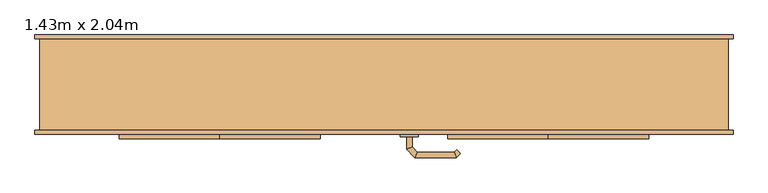
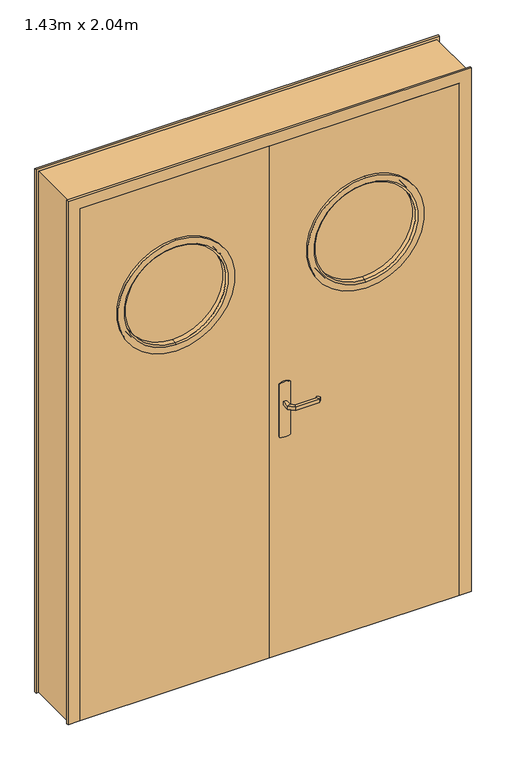
"""IFC4 building model written with IfcOpenShell, lengths in millimetres: door geometry, 1.43m x 2.04m."""

import ifcopenshell
import ifcopenshell.guid

model = None  # the IFC model being written
_history = None  # IfcOwnerHistory: only IFC2X3 demands one
_inside = {}  # id of a spatial element -> (the spatial element, [elements in it])
_under = {}  # id of a project, library or spatial element -> (it, [spatial elements below it])
_declared = {}  # id of a project -> (the project, [libraries it declares])
_typed = {}  # id of a type object -> (the type object, [elements of that type])
_made_of = {}  # id of a material, layer set ... -> (it, [elements and type objects made of it])


def new_model(schema):
    """Start an empty IFC model of exactly this schema.

    Asked for "IFC4X3", IfcOpenShell would pick the latest addendum, in which some entities
    have other attributes; the version numbers below select the first issue.
    IFC2X3 requires an IfcOwnerHistory on every rooted entity: one is made here for all.
    """
    global model, _history
    if schema == "IFC4X3":
        model = ifcopenshell.file(schema_version=(4, 3, 0, 0))
    else:
        model = ifcopenshell.file(schema=schema)
    _inside.clear()
    _under.clear()
    _declared.clear()
    _typed.clear()
    _made_of.clear()
    _history = None
    if model.schema == "IFC2X3":
        org = make("IfcOrganization", Name="unknown")
        user = make(
            "IfcPersonAndOrganization",
            ThePerson=make("IfcPerson", FamilyName="unknown"),
            TheOrganization=org,
        )
        app = make(
            "IfcApplication",
            ApplicationDeveloper=org,
            Version="unknown",
            ApplicationFullName="unknown",
            ApplicationIdentifier="unknown",
        )
        _history = make(
            "IfcOwnerHistory",
            OwningUser=user,
            OwningApplication=app,
            ChangeAction="ADDED",
            CreationDate=0,
        )
    return model


def make(cls, **values):
    """One entity of the class cls with the attributes given. An attribute that is None is left unset."""
    return model.create_entity(
        cls, **{name: value for name, value in values.items() if value is not None}
    )


def rooted(cls, **values):
    """An entity with a GlobalId (a new one), such as an element, a storey or a relation."""
    return make(cls, GlobalId=ifcopenshell.guid.new(), OwnerHistory=_history, **values)


def si_unit(unit_type, name, prefix=None):
    """IfcSIUnit, for example si_unit("LENGTHUNIT", "METRE", prefix="MILLI")."""
    return make("IfcSIUnit", UnitType=unit_type, Prefix=prefix, Name=name)


def assignment(units):
    """IfcUnitAssignment: the units of a project."""
    return None if units is None else make("IfcUnitAssignment", Units=units)


def point(xyz):
    """IfcCartesianPoint."""
    return None if xyz is None else make("IfcCartesianPoint", Coordinates=xyz)


def direction(xyz):
    """IfcDirection."""
    return None if xyz is None else make("IfcDirection", DirectionRatios=xyz)


def frame(location, z_axis=None, x_axis=None):
    """IfcAxis2Placement3D, a coordinate frame: its origin and axes. An axis left out is left unset."""
    return make(
        "IfcAxis2Placement3D",
        Location=point(location),
        Axis=direction(z_axis),
        RefDirection=direction(x_axis),
    )


def frame_2d(location, x_axis=None):
    """IfcAxis2Placement2D, a coordinate frame in the plane: its origin and x axis."""
    return make(
        "IfcAxis2Placement2D", Location=point(location), RefDirection=direction(x_axis)
    )


def origin():
    """The frame at (0, 0, 0) with its axes left unset."""
    return frame((0.0, 0.0, 0.0))


def place(relative_to, where):
    """IfcLocalPlacement: puts the frame where relative to a parent placement (None: the world)."""
    return make(
        "IfcLocalPlacement", PlacementRelTo=relative_to, RelativePlacement=where
    )


def context(
    kind, dimensions, precision=None, world=None, true_north=None, identifier=None
):
    """IfcGeometricRepresentationContext, for example the 3D "Model" context."""
    return make(
        "IfcGeometricRepresentationContext",
        ContextIdentifier=identifier,
        ContextType=kind,
        CoordinateSpaceDimension=dimensions,
        Precision=precision,
        WorldCoordinateSystem=world,
        TrueNorth=true_north,
    )


def project(units=None, contexts=None):
    """IfcProject with its units and contexts."""
    return rooted(
        "IfcProject",
        Name="project",
        RepresentationContexts=contexts,
        UnitsInContext=assignment(units),
    )


def spatial(cls, under=None, at=None, **own):
    """A site, building, storey or space (cls), placed at a placement, below another one or the project."""
    s = rooted(cls, ObjectPlacement=at, **own)
    if under is not None:
        _under.setdefault(under.id(), (under, []))[1].append(s)
    return s


def polyline(points):
    """IfcPolyline through the points."""
    return make("IfcPolyline", Points=[point(p) for p in points])


def circle_curve(where, radius):
    """IfcCircle in the frame where."""
    return make("IfcCircle", Position=where, Radius=radius)


def ellipse_curve(where, semi_axis1, semi_axis2):
    """IfcEllipse in the frame where."""
    return make(
        "IfcEllipse", Position=where, SemiAxis1=semi_axis1, SemiAxis2=semi_axis2
    )


def trimmed(basis, trim1, trim2, sense, master):
    """IfcTrimmedCurve: the piece of a basis curve between two trims."""
    return make(
        "IfcTrimmedCurve",
        BasisCurve=basis,
        Trim1=trim1,
        Trim2=trim2,
        SenseAgreement=sense,
        MasterRepresentation=master,
    )


def segment(curve, same_sense, transition):
    """IfcCompositeCurveSegment."""
    return make(
        "IfcCompositeCurveSegment",
        Transition=transition,
        SameSense=same_sense,
        ParentCurve=curve,
    )


def composite_curve(segments, self_intersect=None):
    """IfcCompositeCurve: segments joined end to end."""
    return make("IfcCompositeCurve", Segments=segments, SelfIntersect=self_intersect)


def outline(outer, holes=None, kind="AREA"):
    """IfcArbitraryClosedProfileDef: a profile drawn as a closed curve; with holes, ...WithVoids."""
    if holes is None:
        return make("IfcArbitraryClosedProfileDef", ProfileType=kind, OuterCurve=outer)
    return make(
        "IfcArbitraryProfileDefWithVoids",
        ProfileType=kind,
        OuterCurve=outer,
        InnerCurves=holes,
    )


def extrude(swept, where, along, depth):
    """IfcExtrudedAreaSolid: the profile swept, set in the frame where, extruded along a direction by depth."""
    return make(
        "IfcExtrudedAreaSolid",
        SweptArea=swept,
        Position=where,
        ExtrudedDirection=direction(along),
        Depth=depth,
    )


def faces_of(points, faces, orient=None, outer=None):
    """IfcFace entities. A face is a list of loops; a loop is a list of indices into points, from 0.

    orient and outer hold one flag for each loop. By default every Orientation is true, the
    first loop of a face is its IfcFaceOuterBound and the others are IfcFaceBound.
    """
    made = []
    for i, loops in enumerate(faces):
        bounds = []
        for j, loop in enumerate(loops):
            is_outer = j == 0 if outer is None else outer[i][j]
            bounds.append(
                make(
                    "IfcFaceOuterBound" if is_outer else "IfcFaceBound",
                    Bound=make("IfcPolyLoop", Polygon=[points[k] for k in loop]),
                    Orientation=True if orient is None else orient[i][j],
                )
            )
        made.append(make("IfcFace", Bounds=bounds))
    return made


def faceted_brep(points, faces, orient=None, outer=None, voids=None):
    """IfcFacetedBrep: a solid bounded by flat faces; with voids (closed shells), ...WithVoids."""
    shared = [point(p) for p in points]
    hull = make("IfcClosedShell", CfsFaces=faces_of(shared, faces, orient, outer))
    if voids is None:
        return make("IfcFacetedBrep", Outer=hull)
    return make(
        "IfcFacetedBrepWithVoids",
        Outer=hull,
        Voids=[
            make(cls, CfsFaces=faces_of(shared, fs, o, b)) for cls, fs, o, b in voids
        ],
    )


def shape(context_of_items, identifier, shape_type, items):
    """IfcShapeRepresentation: the items that make up one representation, for example the "Body"."""
    return make(
        "IfcShapeRepresentation",
        ContextOfItems=context_of_items,
        RepresentationIdentifier=identifier,
        RepresentationType=shape_type,
        Items=items,
    )


def source(mapping_origin, context_of_items, identifier, shape_type, items):
    """IfcRepresentationMap: a shape defined once, which mapped items show again and again."""
    return make(
        "IfcRepresentationMap",
        MappingOrigin=mapping_origin,
        MappedRepresentation=shape(context_of_items, identifier, shape_type, items),
    )


def transform(
    local_origin,
    x_axis=None,
    y_axis=None,
    z_axis=None,
    scale=None,
    scale2=None,
    scale3=None,
    uniform=True,
):
    """IfcCartesianTransformationOperator3D, or its non-uniform kind. x_axis, y_axis, z_axis: its Axis1, 2, 3."""
    if uniform:
        return make(
            "IfcCartesianTransformationOperator3D",
            Axis1=direction(x_axis),
            Axis2=direction(y_axis),
            LocalOrigin=point(local_origin),
            Scale=scale,
            Axis3=direction(z_axis),
        )
    return make(
        "IfcCartesianTransformationOperator3DnonUniform",
        Axis1=direction(x_axis),
        Axis2=direction(y_axis),
        LocalOrigin=point(local_origin),
        Scale=scale,
        Axis3=direction(z_axis),
        Scale2=scale2,
        Scale3=scale3,
    )


def mapped(mapping_source, mapping_target):
    """IfcMappedItem: shows the shape of a source again, moved by a transform."""
    return make(
        "IfcMappedItem", MappingSource=mapping_source, MappingTarget=mapping_target
    )


def made_of(thing, what):
    """Note that an element or type object is made of a material, layer set ...; save() writes the relation."""
    if what is not None:
        _made_of.setdefault(what.id(), (what, []))[1].append(thing)
    return thing


def element(
    cls,
    number,
    at=None,
    inside=None,
    cuts=None,
    type_object=None,
    material=None,
    context=None,
    identifier="Body",
    shape_type=None,
    held_by="IfcProductDefinitionShape",
    body=None,
    shapes=None,
    **own,
):
    """One element of the class cls, such as IfcWall. Its Tag is "e" and its number.

    at: its placement. inside: the storey or other place that contains it. cuts: it is an
    opening in that element (IfcRelVoidsElement). A single representation is given by context,
    identifier, shape_type and body (its items); several are given by shapes. held_by: the class
    of the entity that holds the representations. save() writes the other relations.
    """
    e = rooted(cls, Tag="e%d" % number, ObjectPlacement=at, **own)
    if body is not None:
        shapes = [shape(context, identifier, shape_type, body)]
    if shapes is not None:
        e.Representation = make(held_by, Representations=shapes)
    if inside is not None:
        _inside.setdefault(inside.id(), (inside, []))[1].append(e)
    if cuts is not None:
        rooted(
            "IfcRelVoidsElement", RelatingBuildingElement=cuts, RelatedOpeningElement=e
        )
    if type_object is not None:
        _typed.setdefault(type_object.id(), (type_object, []))[1].append(e)
    return made_of(e, material)


def aggregate(whole, parts):
    """IfcRelAggregates: a whole, such as a stair, and the parts it consists of."""
    return rooted("IfcRelAggregates", RelatingObject=whole, RelatedObjects=parts)


def save(model, path):
    """Write the relations noted so far, then the file.

    IfcRelAggregates (storeys below a building ...), IfcRelContainedInSpatialStructure (elements
    in a storey), IfcRelDefinesByType, IfcRelAssociatesMaterial and IfcRelDeclares: one each for
    every whole, place, type object, material and project.
    """
    for whole, parts in _under.values():
        aggregate(whole, parts)
    for where, things in _inside.values():
        rooted(
            "IfcRelContainedInSpatialStructure",
            RelatedElements=things,
            RelatingStructure=where,
        )
    for kind, things in _typed.values():
        rooted("IfcRelDefinesByType", RelatedObjects=things, RelatingType=kind)
    for what, things in _made_of.values():
        rooted("IfcRelAssociatesMaterial", RelatedObjects=things, RelatingMaterial=what)
    for by, libraries in _declared.values():
        rooted("IfcRelDeclares", RelatingContext=by, RelatedDefinitions=libraries)
    model.write(path)


def plane_surface(at):
    """IfcPlane: the flat surface through the origin of the frame at, square to its z axis."""
    return make("IfcPlane", Position=at)


def cylinder_surface(at, radius):
    """IfcCylindricalSurface: all points at the distance radius from the z axis of the frame at."""
    return make("IfcCylindricalSurface", Position=at, Radius=radius)


def revolved_surface(curve, axis_point, axis_direction):
    """IfcSurfaceOfRevolution: the curve turned about the line through axis_point along axis_direction."""
    return make(
        "IfcSurfaceOfRevolution",
        SweptCurve=make("IfcArbitraryOpenProfileDef", ProfileType="CURVE", Curve=curve),
        AxisPosition=make("IfcAxis1Placement", Location=point(axis_point), Axis=direction(axis_direction)),
    )


def advanced_brep(points, edges, surfaces, faces):
    """IfcAdvancedBrep: a solid bounded by faces that lie on surfaces and meet in shared edges.

    An edge is (start, end): straight between two places in points (the first is 0);
    or (start, end, curve); or (start, end, curve, False) where it runs against its curve.
    A face is (place in surfaces, loops), or (place, loops, False) where it looks against
    its surface's normal. A loop lists edges by number (the first is 1), with a minus sign
    where the edge is run from its end to its start. The first loop is the outer one.
    """
    corners = [point(p) for p in points]
    vertices = [make("IfcVertexPoint", VertexGeometry=c) for c in corners]
    made = []
    for start, end, *more in edges:
        made.append(
            make(
                "IfcEdgeCurve",
                EdgeStart=vertices[start],
                EdgeEnd=vertices[end],
                EdgeGeometry=more[0] if more else make("IfcPolyline", Points=[corners[start], corners[end]]),
                SameSense=more[1] if len(more) > 1 else True,
            )
        )
    hull = []
    for where, loops, *sense in faces:
        bounds = []
        for j, loop in enumerate(loops):
            ring = [make("IfcOrientedEdge", EdgeElement=made[abs(k) - 1], Orientation=k > 0) for k in loop]
            bounds.append(
                make(
                    "IfcFaceOuterBound" if j == 0 else "IfcFaceBound",
                    Bound=make("IfcEdgeLoop", EdgeList=ring),
                    Orientation=True,
                )
            )
        hull.append(make("IfcAdvancedFace", Bounds=bounds, FaceSurface=surfaces[where], SameSense=sense[0] if sense else True))
    return make("IfcAdvancedBrep", Outer=make("IfcClosedShell", CfsFaces=hull))


def door_1_43m_x_2_04m_ebb79b4e(model_context):
    return source(origin(), model_context, "Body", "SolidModel", [
        advanced_brep(
        [(61.0, -63.0, 993.0), (61.0, -63.0, 1007.0), (49.0, -63.0, 1007.0), (49.0, -63.0, 993.0), (61.0, -40.5147955, 993.0), (61.0, -40.5147955, 1007.0), (49.0, -35.5442327, 1007.0), (49.0, -35.5442327, 993.0), (72.4852814, -29.0295141, 993.0), (72.4852814, -29.0295141, 1007.0), (67.5147186, -17.0295141, 1007.0), (67.5147186, -17.0295141, 993.0), (152.5605023, -29.0295141, 993.0), (152.5605023, -29.0295141, 1007.0), (157.531065, -17.0295141, 1007.0), (157.531065, -17.0295141, 993.0), (157.8742108, -34.3432226, 993.0), (166.3594922, -25.8579412, 993.0), (166.3594922, -25.8579412, 1007.0), (157.8742108, -34.3432226, 1007.0)],
        [
            (0, 1),
            (1, 2, circle_curve(frame((55.0, -63.0, 986.9542278), z_axis=(0.0, -1.0, 0.0), x_axis=(-1.0, 0.0, 0.0)), 20.9244589)),
            (2, 3),
            (3, 0, circle_curve(frame((55.0, -63.0, 1013.0457722), z_axis=(0.0, -1.0, 0.0), x_axis=(-1.0, 0.0, 0.0)), 20.9244589)),
            (0, 4),
            (4, 5),
            (5, 1),
            (5, 6, ellipse_curve(frame((55.0, -38.0295141, 986.9542278), z_axis=(-0.38268343236510893, -0.9238795325112789, 0.0), x_axis=(0.9238795325112789, -0.3826834323651087, 0.0)), 22.6484711, 20.9244589)),
            (6, 2),
            (6, 7),
            (7, 3),
            (7, 4, ellipse_curve(frame((55.0, -38.0295141, 1013.0457722), z_axis=(-0.38268343236510893, -0.9238795325112789, 0.0), x_axis=(0.9238795325112789, -0.3826834323651087, 0.0)), 22.6484711, 20.9244589)),
            (4, 8),
            (8, 9),
            (9, 5),
            (9, 10, ellipse_curve(frame((70.0, -23.0295141, 986.9542278), z_axis=(-0.9238795325112946, -0.38268343236507063, 0.0), x_axis=(0.3826834323650701, -0.9238795325112948, 0.0)), 22.6484711, 20.9244589)),
            (10, 6),
            (10, 11),
            (11, 7),
            (11, 8, ellipse_curve(frame((70.0, -23.0295141, 1013.0457722), z_axis=(-0.9238795325112946, -0.38268343236507063, 0.0), x_axis=(0.3826834323650701, -0.9238795325112948, 0.0)), 22.6484711, 20.9244589)),
            (8, 12),
            (12, 13),
            (13, 9),
            (13, 14, ellipse_curve(frame((155.0457837, -23.0295141, 986.9542278), z_axis=(-0.9238795325113071, 0.38268343236504027, 0.0), x_axis=(-0.38268343236504115, -0.9238795325113068, 0.0)), 22.6484711, 20.9244589)),
            (14, 10),
            (14, 15),
            (15, 11),
            (15, 12, ellipse_curve(frame((155.0457837, -23.0295141, 1013.0457722), z_axis=(-0.9238795325113071, 0.38268343236504027, 0.0), x_axis=(-0.38268343236504115, -0.9238795325113068, 0.0)), 22.6484711, 20.9244589)),
            (16, 17, circle_curve(frame((162.1168515, -30.1005819, 1013.0457722), z_axis=(0.7071067811866232, -0.7071067811864719, 0.0), x_axis=(0.7071067811864719, 0.7071067811866232, 0.0)), 20.9244589)),
            (17, 18),
            (18, 19, circle_curve(frame((162.1168515, -30.1005819, 986.9542278), z_axis=(0.7071067811866232, -0.7071067811864719, 0.0), x_axis=(0.7071067811864719, 0.7071067811866232, 0.0)), 20.9244589)),
            (19, 16),
            (12, 16),
            (19, 13),
            (18, 14),
            (17, 15),
        ],
        [
            plane_surface(frame((45.7804555, -63.0, 1000.0), z_axis=(0.0, -1.0, 0.0), x_axis=(0.0, 0.0, 1.0))),
            plane_surface(frame((61.0, -63.0, 993.0), z_axis=(1.0, 0.0, 0.0), x_axis=(0.0, 1.0, 0.0))),
            cylinder_surface(frame((55.0, -63.0, 986.9542278), z_axis=(0.0, -1.0, 0.0), x_axis=(-1.0, 0.0, 0.0)), 20.9244589),
            plane_surface(frame((49.0, -63.0, 1007.0), z_axis=(-1.0, 0.0, 0.0), x_axis=(0.0, 1.0, 0.0))),
            cylinder_surface(frame((55.0, -63.0, 1013.0457722), z_axis=(0.0, -1.0, 0.0), x_axis=(-1.0, 0.0, 0.0)), 20.9244589),
            plane_surface(frame((61.0, -40.5147955, 993.0), z_axis=(0.7071067811865183, -0.7071067811865769, 0.0), x_axis=(0.7071067811865769, 0.7071067811865183, 0.0))),
            cylinder_surface(frame((55.0, -38.0295141, 986.9542278), z_axis=(-0.7071067811865768, -0.7071067811865183, 0.0), x_axis=(-0.7071067811865183, 0.7071067811865768, 0.0)), 20.9244589),
            plane_surface(frame((49.0, -35.5442327, 1007.0), z_axis=(-0.7071067811865185, 0.7071067811865767, 0.0), x_axis=(0.7071067811865767, 0.7071067811865185, 0.0))),
            cylinder_surface(frame((55.0, -38.0295141, 1013.0457722), z_axis=(-0.7071067811865768, -0.7071067811865183, 0.0), x_axis=(-0.7071067811865183, 0.7071067811865768, 0.0)), 20.9244589),
            plane_surface(frame((72.4852814, -29.0295141, 993.0), z_axis=(0.0, -1.0, 0.0), x_axis=(1.0, 0.0, 0.0))),
            cylinder_surface(frame((70.0, -23.0295141, 986.9542278), z_axis=(-1.0, 0.0, 0.0), x_axis=(0.0, 1.0, 0.0)), 20.9244589),
            plane_surface(frame((67.5147186, -17.0295141, 1007.0), z_axis=(0.0, 1.0, 0.0), x_axis=(1.0, 0.0, 0.0))),
            cylinder_surface(frame((70.0, -23.0295141, 1013.0457722), z_axis=(-1.0, 0.0, 0.0), x_axis=(0.0, 1.0, 0.0)), 20.9244589),
            plane_surface(frame((162.1168515, -30.1005819, 990.7804555), z_axis=(0.7071067811866233, -0.7071067811864719, 0.0), x_axis=(0.7071067811864719, 0.7071067811866233, 0.0))),
            plane_surface(frame((152.5605023, -29.0295141, 993.0), z_axis=(-0.707106781186471, -0.7071067811866241, 0.0), x_axis=(0.7071067811866241, -0.707106781186471, 0.0))),
            cylinder_surface(frame((155.0457837, -23.0295141, 986.9542278), z_axis=(-0.7071067811866232, 0.7071067811864719, 0.0), x_axis=(0.7071067811864719, 0.7071067811866232, 0.0)), 20.9244589),
            plane_surface(frame((157.531065, -17.0295141, 1007.0), z_axis=(0.7071067811864723, 0.7071067811866228, 0.0), x_axis=(0.7071067811866228, -0.7071067811864723, 0.0))),
            cylinder_surface(frame((155.0457837, -23.0295141, 1013.0457722), z_axis=(-0.7071067811866232, 0.7071067811864719, 0.0), x_axis=(0.7071067811864719, 0.7071067811866232, 0.0)), 20.9244589),
        ],
        [
            (0, [[1, 2, 3, 4]]),
            (1, [[-1, 5, 6, 7]]),
            (2, [[-2, -7, 8, 9]]),
            (3, [[-3, -9, 10, 11]]),
            (4, [[-4, -11, 12, -5]]),
            (5, [[-6, 13, 14, 15]]),
            (6, [[-8, -15, 16, 17]]),
            (7, [[-10, -17, 18, 19]]),
            (8, [[-12, -19, 20, -13]]),
            (9, [[-14, 21, 22, 23]]),
            (10, [[-16, -23, 24, 25]]),
            (11, [[-18, -25, 26, 27]]),
            (12, [[-20, -27, 28, -21]]),
            (13, [[29, 30, 31, 32]]),
            (14, [[-22, 33, -32, 34]]),
            (15, [[-24, -34, -31, 35]]),
            (16, [[-26, -35, -30, 36]]),
            (17, [[-28, -36, -29, -33]]),
        ],
    ),
        advanced_brep(
        [(49.0, -113.0, 1007.0), (61.0, -113.0, 1007.0), (61.0, -113.0, 993.0), (49.0, -113.0, 993.0), (49.0, -140.6509507, 1007.0), (61.0, -135.680388, 1007.0), (61.0, -135.680388, 993.0), (49.0, -140.6509507, 993.0), (67.37721, -159.0281607, 1007.0), (72.3477727, -147.0281607, 1007.0), (72.3477727, -147.0281607, 993.0), (67.37721, -159.0281607, 993.0), (157.503922, -159.0281607, 1007.0), (152.5333592, -147.0281607, 1007.0), (152.5333592, -147.0281607, 993.0), (157.503922, -159.0281607, 993.0), (166.3323491, -150.1997336, 1007.0), (166.3323491, -150.1997336, 993.0), (157.8470677, -141.7144522, 993.0), (157.8470677, -141.7144522, 1007.0)],
        [
            (0, 1, circle_curve(frame((55.0, -113.0, 986.9542278), z_axis=(0.0, 1.0, 0.0), x_axis=(1.0, 0.0, 0.0)), 20.9244589)),
            (1, 2),
            (2, 3, circle_curve(frame((55.0, -113.0, 1013.0457722), z_axis=(0.0, 1.0, 0.0), x_axis=(1.0, 0.0, 0.0)), 20.9244589)),
            (3, 0),
            (0, 4),
            (4, 5, ellipse_curve(frame((55.0, -138.1656693, 986.9542278), z_axis=(-0.3826834323651093, 0.9238795325112789, 0.0), x_axis=(0.9238795325112791, 0.38268343236510843, 0.0)), 22.6484711, 20.9244589)),
            (5, 1),
            (5, 6),
            (6, 2),
            (6, 7, ellipse_curve(frame((55.0, -138.1656693, 1013.0457722), z_axis=(-0.3826834323651093, 0.9238795325112789, 0.0), x_axis=(0.9238795325112791, 0.38268343236510843, 0.0)), 22.6484711, 20.9244589)),
            (7, 3),
            (7, 4),
            (4, 8),
            (8, 9, ellipse_curve(frame((69.8624914, -153.0281607, 986.9542278), z_axis=(-0.9238795325112947, 0.38268343236507024, 0.0), x_axis=(0.3826834323650698, 0.9238795325112951, 0.0)), 22.6484711, 20.9244589)),
            (9, 5),
            (9, 10),
            (10, 6),
            (10, 11, ellipse_curve(frame((69.8624914, -153.0281607, 1013.0457722), z_axis=(-0.9238795325112947, 0.38268343236507024, 0.0), x_axis=(0.3826834323650698, 0.9238795325112951, 0.0)), 22.6484711, 20.9244589)),
            (11, 7),
            (11, 8),
            (8, 12),
            (12, 13, ellipse_curve(frame((155.0186406, -153.0281607, 986.9542278), z_axis=(-0.9238795325112743, -0.3826834323651198, 0.0), x_axis=(-0.38268343236511987, 0.9238795325112744, 0.0)), 22.6484711, 20.9244589)),
            (13, 9),
            (13, 14),
            (14, 10),
            (14, 15, ellipse_curve(frame((155.0186406, -153.0281607, 1013.0457722), z_axis=(-0.9238795325112743, -0.3826834323651198, 0.0), x_axis=(-0.38268343236511987, 0.9238795325112744, 0.0)), 22.6484711, 20.9244589)),
            (15, 11),
            (15, 12),
            (16, 17),
            (17, 18, circle_curve(frame((162.0897084, -145.9570929, 1013.0457722), z_axis=(0.7071067811865017, 0.7071067811865933, 0.0), x_axis=(-0.7071067811865933, 0.7071067811865017, 0.0)), 20.9244589)),
            (18, 19),
            (19, 16, circle_curve(frame((162.0897084, -145.9570929, 986.9542278), z_axis=(0.7071067811865017, 0.7071067811865933, 0.0), x_axis=(-0.7071067811865933, 0.7071067811865017, 0.0)), 20.9244589)),
            (12, 16),
            (19, 13),
            (18, 14),
            (17, 15),
        ],
        [
            plane_surface(frame((45.7804555, -113.0, 1000.0), z_axis=(0.0, 1.0, 0.0), x_axis=(0.0, 0.0, -1.0))),
            cylinder_surface(frame((55.0, -113.0, 986.9542278), z_axis=(0.0, 1.0, 0.0), x_axis=(1.0, 0.0, 0.0)), 20.9244589),
            plane_surface(frame((61.0, -113.0, 1007.0), z_axis=(1.0, 0.0, 0.0), x_axis=(0.0, -1.0, 0.0))),
            cylinder_surface(frame((55.0, -113.0, 1013.0457722), z_axis=(0.0, 1.0, 0.0), x_axis=(1.0, 0.0, 0.0)), 20.9244589),
            plane_surface(frame((49.0, -113.0, 993.0), z_axis=(-1.0, 0.0, 0.0), x_axis=(0.0, -1.0, 0.0))),
            cylinder_surface(frame((55.0, -138.1656693, 986.9542278), z_axis=(-0.7071067811865772, 0.7071067811865177, 0.0), x_axis=(0.7071067811865177, 0.7071067811865772, 0.0)), 20.9244589),
            plane_surface(frame((61.0, -135.680388, 1007.0), z_axis=(0.7071067811865183, 0.7071067811865768, 0.0), x_axis=(0.7071067811865768, -0.7071067811865183, 0.0))),
            cylinder_surface(frame((55.0, -138.1656693, 1013.0457722), z_axis=(-0.7071067811865772, 0.7071067811865177, 0.0), x_axis=(0.7071067811865177, 0.7071067811865772, 0.0)), 20.9244589),
            plane_surface(frame((49.0, -140.6509507, 993.0), z_axis=(-0.707106781186518, -0.707106781186577, 0.0), x_axis=(0.707106781186577, -0.707106781186518, 0.0))),
            cylinder_surface(frame((69.8624914, -153.0281607, 986.9542278), z_axis=(-1.0, 0.0, 0.0), x_axis=(0.0, 1.0, 0.0)), 20.9244589),
            plane_surface(frame((72.3477727, -147.0281607, 1007.0), z_axis=(0.0, 1.0, 0.0), x_axis=(1.0, 0.0, 0.0))),
            cylinder_surface(frame((69.8624914, -153.0281607, 1013.0457722), z_axis=(-1.0, 0.0, 0.0), x_axis=(0.0, 1.0, 0.0)), 20.9244589),
            plane_surface(frame((67.37721, -159.0281607, 993.0), z_axis=(0.0, -1.0, 0.0), x_axis=(1.0, 0.0, 0.0))),
            plane_surface(frame((162.0897084, -145.9570929, 1009.2195445), z_axis=(0.7071067811865019, 0.7071067811865932, 0.0), x_axis=(0.7071067811865932, -0.7071067811865019, 0.0))),
            cylinder_surface(frame((155.0186406, -153.0281607, 986.9542278), z_axis=(-0.7071067811865017, -0.7071067811865933, 0.0), x_axis=(-0.7071067811865933, 0.7071067811865017, 0.0)), 20.9244589),
            plane_surface(frame((152.5333592, -147.0281607, 1007.0), z_axis=(-0.7071067811865936, 0.7071067811865014, 0.0), x_axis=(0.7071067811865014, 0.7071067811865936, 0.0))),
            cylinder_surface(frame((155.0186406, -153.0281607, 1013.0457722), z_axis=(-0.7071067811865017, -0.7071067811865933, 0.0), x_axis=(-0.7071067811865933, 0.7071067811865017, 0.0)), 20.9244589),
            plane_surface(frame((157.503922, -159.0281607, 993.0), z_axis=(0.707106781186593, -0.7071067811865022, 0.0), x_axis=(0.7071067811865022, 0.707106781186593, 0.0))),
        ],
        [
            (0, [[1, 2, 3, 4]]),
            (1, [[-1, 5, 6, 7]]),
            (2, [[-2, -7, 8, 9]]),
            (3, [[-3, -9, 10, 11]]),
            (4, [[-4, -11, 12, -5]]),
            (5, [[-6, 13, 14, 15]]),
            (6, [[-8, -15, 16, 17]]),
            (7, [[-10, -17, 18, 19]]),
            (8, [[-12, -19, 20, -13]]),
            (9, [[-14, 21, 22, 23]]),
            (10, [[-16, -23, 24, 25]]),
            (11, [[-18, -25, 26, 27]]),
            (12, [[-20, -27, 28, -21]]),
            (13, [[29, 30, 31, 32]]),
            (14, [[-22, 33, -32, 34]]),
            (15, [[-24, -34, -31, 35]]),
            (16, [[-26, -35, -30, 36]]),
            (17, [[-28, -36, -29, -33]]),
        ],
    ),
        extrude(outline(composite_curve([segment(trimmed(circle_curve(frame_2d((1045.3589838, 55.0)), 40.0), [point((1080.0, 75.0))], [point((1080.0, 35.0))], False, "CARTESIAN"), True, "CONTINUOUS"), segment(polyline([(1080.0, 35.0), (870.0, 35.0)]), True, "CONTINUOUS"), segment(trimmed(circle_curve(frame_2d((904.6410162, 55.0)), 40.0), [point((870.0, 35.0))], [point((870.0, 75.0))], False, "CARTESIAN"), True, "CONTINUOUS"), segment(polyline([(870.0, 75.0), (1080.0, 75.0)]), True, "CONTINUOUS")], self_intersect=False)), frame((0.0, -68.0, 0.0), z_axis=(0.0, 1.0, 0.0), x_axis=(0.0, 0.0, 1.0)), (0.0, 0.0, 1.0), 5.0),
        extrude(outline(composite_curve([segment(trimmed(circle_curve(frame_2d((904.6410162, 55.0)), 40.0), [point((870.0, 35.0))], [point((870.0, 75.0))], False, "CARTESIAN"), True, "CONTINUOUS"), segment(polyline([(870.0, 75.0), (1080.0, 75.0)]), True, "CONTINUOUS"), segment(trimmed(circle_curve(frame_2d((1045.3589838, 55.0)), 40.0), [point((1080.0, 75.0))], [point((1080.0, 35.0))], False, "CARTESIAN"), True, "CONTINUOUS"), segment(polyline([(1080.0, 35.0), (870.0, 35.0)]), True, "CONTINUOUS")], self_intersect=False)), frame((0.0, -113.0, 0.0), z_axis=(0.0, 1.0, 0.0), x_axis=(0.0, 0.0, 1.0)), (0.0, 0.0, 1.0), 5.0),
        faceted_brep([(-750.0, -100.0, 0.0), (-750.0, 100.0, 0.0), (-760.0, 100.0, 0.0), (-760.0, 108.0, 0.0), (-700.0, 108.0, 0.0), (-700.0, -68.0, 0.0), (-715.0, -68.0, 0.0), (-715.0, -108.0, 0.0), (-760.0, -108.0, 0.0), (-760.0, -100.0, 0.0), (-750.0, -100.0, 2075.0), (-750.0, 100.0, 2075.0), (750.0, 100.0, 2075.0), (750.0, 100.0, 0.0), (760.0, 100.0, 0.0), (760.0, 100.0, 2085.0), (-760.0, 100.0, 2085.0), (-760.0, 108.0, 2085.0), (760.0, 108.0, 2085.0), (760.0, 108.0, 0.0), (700.0, 108.0, 0.0), (700.0, 108.0, 2025.0), (-700.0, 108.0, 2025.0), (-700.0, -68.0, 2025.0), (700.0, -68.0, 2025.0), (700.0, -68.0, 0.0), (715.0, -68.0, 0.0), (715.0, -68.0, 2040.0), (-715.0, -68.0, 2040.0), (-715.0, -108.0, 2040.0), (715.0, -108.0, 2040.0), (715.0, -108.0, 0.0), (760.0, -108.0, 0.0), (760.0, -108.0, 2085.0), (-760.0, -108.0, 2085.0), (-760.0, -100.0, 2085.0), (760.0, -100.0, 2085.0), (760.0, -100.0, 0.0), (750.0, -100.0, 0.0), (750.0, -100.0, 2075.0)], [[[0, 1, 2, 3, 4, 5, 6, 7, 8, 9]], [[1, 0, 10, 11]], [[2, 1, 11, 12, 13, 14, 15, 16]], [[3, 2, 16, 17]], [[4, 3, 17, 18, 19, 20, 21, 22]], [[5, 4, 22, 23]], [[6, 5, 23, 24, 25, 26, 27, 28]], [[7, 6, 28, 29]], [[8, 7, 29, 30, 31, 32, 33, 34]], [[9, 8, 34, 35]], [[0, 9, 35, 36, 37, 38, 39, 10]], [[12, 39, 38, 13]], [[38, 37, 32, 31, 26, 25, 20, 19, 14, 13]], [[18, 15, 14, 19]], [[24, 21, 20, 25]], [[30, 27, 26, 31]], [[36, 33, 32, 37]], [[11, 10, 39, 12]], [[17, 16, 15, 18]], [[23, 22, 21, 24]], [[29, 28, 27, 30]], [[35, 34, 33, 36]]]),
        extrude(outline(composite_curve([segment(trimmed(circle_curve(frame_2d((1575.0, 357.5)), 200.0), [point((1775.0, 357.5))], [point((1375.0, 357.5))], False, "CARTESIAN"), True, "CONTINUOUS"), segment(trimmed(circle_curve(frame_2d((1575.0, 357.5)), 200.0), [point((1375.0, 357.5))], [point((1775.0, 357.5))], False, "CARTESIAN"), True, "CONTINUOUS")], self_intersect=False)), frame((0.0, -93.0, 0.0), z_axis=(0.0, 1.0, 0.0), x_axis=(0.0, 0.0, 1.0)), (0.0, 0.0, 1.0), 10.0),
        extrude(outline(composite_curve([segment(trimmed(circle_curve(frame_2d((1575.0, -357.5)), 200.0), [point((1375.0, -357.5))], [point((1775.0, -357.5))], False, "CARTESIAN"), True, "CONTINUOUS"), segment(trimmed(circle_curve(frame_2d((1575.0, -357.5)), 200.0), [point((1775.0, -357.5))], [point((1375.0, -357.5))], False, "CARTESIAN"), True, "CONTINUOUS")], self_intersect=False)), frame((0.0, -93.0, 0.0), z_axis=(0.0, 1.0, 0.0), x_axis=(0.0, 0.0, 1.0)), (0.0, 0.0, 1.0), 10.0),
        extrude(outline(polyline([(0.0, 715.0), (2040.0, 715.0), (2040.0, 0.0), (0.0, 0.0), (0.0, 715.0)]), holes=[composite_curve([segment(trimmed(circle_curve(frame_2d((1575.0, 357.5)), 200.0), [point((1375.0, 357.5))], [point((1775.0, 357.5))], True, "CARTESIAN"), True, "CONTINUOUS"), segment(trimmed(circle_curve(frame_2d((1575.0, 357.5)), 200.0), [point((1775.0, 357.5))], [point((1375.0, 357.5))], True, "CARTESIAN"), True, "CONTINUOUS")], self_intersect=False)]), frame((0.0, -108.0, 0.0), z_axis=(0.0, 1.0, 0.0), x_axis=(0.0, 0.0, 1.0)), (0.0, 0.0, 1.0), 40.0),
        extrude(outline(polyline([(2040.0, -715.0), (0.0, -715.0), (0.0, 0.0), (2040.0, 0.0), (2040.0, -715.0)]), holes=[composite_curve([segment(trimmed(circle_curve(frame_2d((1575.0, -357.5)), 200.0), [point((1375.0, -357.5))], [point((1775.0, -357.5))], True, "CARTESIAN"), True, "CONTINUOUS"), segment(trimmed(circle_curve(frame_2d((1575.0, -357.5)), 200.0), [point((1775.0, -357.5))], [point((1375.0, -357.5))], True, "CARTESIAN"), True, "CONTINUOUS")], self_intersect=False)]), frame((0.0, -108.0, 0.0), z_axis=(0.0, 1.0, 0.0), x_axis=(0.0, 0.0, 1.0)), (0.0, 0.0, 1.0), 40.0),
        advanced_brep(
        [(357.5, -68.0, 1795.0), (357.5, -68.0, 1355.0), (357.5, -58.0, 1355.0), (357.5, -58.0, 1795.0), (357.5, -83.0, 1775.0), (357.5, -83.0, 1375.0), (357.5, -68.0, 1375.0), (357.5, -68.0, 1775.0), (357.5, -63.8578644, 1765.0), (357.5, -63.8578644, 1385.0), (357.5, -83.0, 1385.0), (357.5, -83.0, 1765.0), (357.5, -58.0, 1770.8578644), (357.5, -58.0, 1379.1421356)],
        [
            (0, 1, circle_curve(frame((357.5, -68.0, 1575.0), z_axis=(0.0, 1.0, 0.0), x_axis=(0.0, 0.0, -1.0)), 220.0)),
            (1, 2),
            (2, 3, circle_curve(frame((357.5, -58.0, 1575.0), z_axis=(0.0, -1.0, 0.0), x_axis=(0.0, 0.0, -1.0)), 220.0)),
            (3, 0),
            (4, 5, circle_curve(frame((357.5, -83.0, 1575.0), z_axis=(0.0, 1.0, 0.0), x_axis=(0.0, 0.0, -1.0)), 200.0)),
            (5, 6),
            (6, 7, circle_curve(frame((357.5, -68.0, 1575.0), z_axis=(0.0, -1.0, 0.0), x_axis=(0.0, 0.0, -1.0)), 200.0)),
            (7, 4),
            (8, 9, circle_curve(frame((357.5, -63.8578644, 1575.0), z_axis=(0.0, 1.0, 0.0), x_axis=(0.0, 0.0, -1.0)), 190.0)),
            (9, 10),
            (10, 11, circle_curve(frame((357.5, -83.0, 1575.0), z_axis=(0.0, -1.0, 0.0), x_axis=(0.0, 0.0, -1.0)), 190.0)),
            (11, 8),
            (12, 13, circle_curve(frame((357.5, -58.0, 1575.0), z_axis=(0.0, 1.0, 0.0), x_axis=(0.0, 0.0, -1.0)), 195.8578644)),
            (13, 9),
            (8, 12),
            (1, 0, circle_curve(frame((357.5, -68.0, 1575.0), z_axis=(0.0, 1.0, 0.0), x_axis=(0.0, 0.0, 1.0)), 220.0)),
            (3, 2, circle_curve(frame((357.5, -58.0, 1575.0), z_axis=(0.0, -1.0, 0.0), x_axis=(0.0, 0.0, 1.0)), 220.0)),
            (6, 7, circle_curve(frame((357.5, -68.0, 1575.0), z_axis=(0.0, 1.0, 0.0), x_axis=(0.0, 0.0, 1.0)), 200.0)),
            (5, 4, circle_curve(frame((357.5, -83.0, 1575.0), z_axis=(0.0, 1.0, 0.0), x_axis=(0.0, 0.0, 1.0)), 200.0)),
            (10, 11, circle_curve(frame((357.5, -83.0, 1575.0), z_axis=(0.0, 1.0, 0.0), x_axis=(0.0, 0.0, 1.0)), 190.0)),
            (9, 8, circle_curve(frame((357.5, -63.8578644, 1575.0), z_axis=(0.0, 1.0, 0.0), x_axis=(0.0, 0.0, 1.0)), 190.0)),
            (13, 12, circle_curve(frame((357.5, -58.0, 1575.0), z_axis=(0.0, 1.0, 0.0), x_axis=(0.0, 0.0, 1.0)), 195.8578644)),
        ],
        [
            cylinder_surface(frame((357.5, -108.0, 1575.0), z_axis=(0.0, -1.0, 0.0), x_axis=(0.0, 0.0, -1.0)), 220.0),
            cylinder_surface(frame((357.5, -108.0, 1575.0), z_axis=(0.0, -1.0, 0.0), x_axis=(0.0, 0.0, -1.0)), 200.0),
            revolved_surface(polyline([(357.5, -83.0, 1385.0), (357.5, -63.8578644, 1385.0)]), (357.5, -108.0, 1575.0), (0.0, -1.0, 0.0)),
            revolved_surface(polyline([(357.5, -63.8578644, 1385.0), (357.5, -58.0, 1379.1421356)]), (357.5, -108.0, 1575.0), (0.0, -1.0, 0.0)),
            cylinder_surface(frame((357.5, -108.0, 1575.0), z_axis=(0.0, -1.0, 0.0), x_axis=(0.0, 0.0, 1.0)), 220.0),
            plane_surface(frame((357.5, -68.0, 1575.0), z_axis=(0.0, -1.0, 0.0), x_axis=(0.0, 0.0, 1.0))),
            cylinder_surface(frame((357.5, -108.0, 1575.0), z_axis=(0.0, -1.0, 0.0), x_axis=(0.0, 0.0, 1.0)), 200.0),
            plane_surface(frame((357.5, -83.0, 1575.0), z_axis=(0.0, -1.0, 0.0), x_axis=(0.0, 0.0, 1.0))),
            revolved_surface(polyline([(357.5, -83.0, 1765.0), (357.5, -63.8578644, 1765.0)]), (357.5, -108.0, 1575.0), (0.0, -1.0, 0.0)),
            revolved_surface(polyline([(357.5, -63.8578644, 1765.0), (357.5, -58.0, 1770.8578644)]), (357.5, -108.0, 1575.0), (0.0, -1.0, 0.0)),
            plane_surface(frame((357.5, -58.0, 1575.0), z_axis=(0.0, 1.0, 0.0), x_axis=(0.0, 0.0, 1.0))),
        ],
        [
            (0, [[1, 2, 3, 4]]),
            (1, [[5, 6, 7, 8]]),
            (2, [[9, 10, 11, 12]]),
            (3, [[13, 14, -9, 15]]),
            (4, [[16, -4, 17, -2]]),
            (5, [[-16, -1], [18, -7]]),
            (6, [[19, -8, -18, -6]]),
            (7, [[-19, -5], [20, -11]]),
            (8, [[21, -12, -20, -10]]),
            (9, [[22, -15, -21, -14]]),
            (10, [[-17, -3], [-22, -13]]),
        ],
    ),
        advanced_brep(
        [(357.5, -112.1421356, 1765.0), (357.5, -112.1421356, 1385.0), (357.5, -118.0, 1379.1421356), (357.5, -118.0, 1770.8578644), (357.5, -93.0, 1765.0), (357.5, -93.0, 1385.0), (357.5, -108.0, 1775.0), (357.5, -108.0, 1375.0), (357.5, -93.0, 1375.0), (357.5, -93.0, 1775.0), (357.5, -118.0, 1795.0), (357.5, -118.0, 1355.0), (357.5, -108.0, 1355.0), (357.5, -108.0, 1795.0)],
        [
            (0, 1, circle_curve(frame((357.5, -112.1421356, 1575.0), z_axis=(0.0, 1.0, 0.0), x_axis=(0.0, 0.0, -1.0)), 190.0)),
            (1, 2),
            (2, 3, circle_curve(frame((357.5, -118.0, 1575.0), z_axis=(0.0, -1.0, 0.0), x_axis=(0.0, 0.0, -1.0)), 195.8578644)),
            (3, 0),
            (4, 5, circle_curve(frame((357.5, -93.0, 1575.0), z_axis=(0.0, 1.0, 0.0), x_axis=(0.0, 0.0, -1.0)), 190.0)),
            (5, 1),
            (0, 4),
            (6, 7, circle_curve(frame((357.5, -108.0, 1575.0), z_axis=(0.0, 1.0, 0.0), x_axis=(0.0, 0.0, -1.0)), 200.0)),
            (7, 8),
            (8, 9, circle_curve(frame((357.5, -93.0, 1575.0), z_axis=(0.0, -1.0, 0.0), x_axis=(0.0, 0.0, -1.0)), 200.0)),
            (9, 6),
            (10, 11, circle_curve(frame((357.5, -118.0, 1575.0), z_axis=(0.0, 1.0, 0.0), x_axis=(0.0, 0.0, -1.0)), 220.0)),
            (11, 12),
            (12, 13, circle_curve(frame((357.5, -108.0, 1575.0), z_axis=(0.0, -1.0, 0.0), x_axis=(0.0, 0.0, -1.0)), 220.0)),
            (13, 10),
            (10, 11, circle_curve(frame((357.5, -118.0, 1575.0), z_axis=(0.0, -1.0, 0.0), x_axis=(0.0, 0.0, 1.0)), 220.0)),
            (2, 3, circle_curve(frame((357.5, -118.0, 1575.0), z_axis=(0.0, 1.0, 0.0), x_axis=(0.0, 0.0, 1.0)), 195.8578644)),
            (1, 0, circle_curve(frame((357.5, -112.1421356, 1575.0), z_axis=(0.0, 1.0, 0.0), x_axis=(0.0, 0.0, 1.0)), 190.0)),
            (5, 4, circle_curve(frame((357.5, -93.0, 1575.0), z_axis=(0.0, 1.0, 0.0), x_axis=(0.0, 0.0, 1.0)), 190.0)),
            (8, 9, circle_curve(frame((357.5, -93.0, 1575.0), z_axis=(0.0, 1.0, 0.0), x_axis=(0.0, 0.0, 1.0)), 200.0)),
            (7, 6, circle_curve(frame((357.5, -108.0, 1575.0), z_axis=(0.0, 1.0, 0.0), x_axis=(0.0, 0.0, 1.0)), 200.0)),
            (12, 13, circle_curve(frame((357.5, -108.0, 1575.0), z_axis=(0.0, 1.0, 0.0), x_axis=(0.0, 0.0, 1.0)), 220.0)),
        ],
        [
            revolved_surface(polyline([(357.5, -118.0, 1379.1421356), (357.5, -112.1421356, 1385.0)]), (357.5, -108.0, 1575.0), (0.0, -1.0, 0.0)),
            revolved_surface(polyline([(357.5, -112.1421356, 1385.0), (357.5, -93.0, 1385.0)]), (357.5, -108.0, 1575.0), (0.0, -1.0, 0.0)),
            cylinder_surface(frame((357.5, -108.0, 1575.0), z_axis=(0.0, -1.0, 0.0), x_axis=(0.0, 0.0, -1.0)), 200.0),
            cylinder_surface(frame((357.5, -108.0, 1575.0), z_axis=(0.0, -1.0, 0.0), x_axis=(0.0, 0.0, -1.0)), 220.0),
            plane_surface(frame((357.5, -118.0, 1575.0), z_axis=(0.0, -1.0, 0.0), x_axis=(0.0, 0.0, 1.0))),
            revolved_surface(polyline([(357.5, -118.0, 1770.8578644), (357.5, -112.1421356, 1765.0)]), (357.5, -108.0, 1575.0), (0.0, -1.0, 0.0)),
            revolved_surface(polyline([(357.5, -112.1421356, 1765.0), (357.5, -93.0, 1765.0)]), (357.5, -108.0, 1575.0), (0.0, -1.0, 0.0)),
            plane_surface(frame((357.5, -93.0, 1575.0), z_axis=(0.0, 1.0, 0.0), x_axis=(0.0, 0.0, 1.0))),
            cylinder_surface(frame((357.5, -108.0, 1575.0), z_axis=(0.0, -1.0, 0.0), x_axis=(0.0, 0.0, 1.0)), 200.0),
            plane_surface(frame((357.5, -108.0, 1575.0), z_axis=(0.0, 1.0, 0.0), x_axis=(0.0, 0.0, 1.0))),
            cylinder_surface(frame((357.5, -108.0, 1575.0), z_axis=(0.0, -1.0, 0.0), x_axis=(0.0, 0.0, 1.0)), 220.0),
        ],
        [
            (0, [[1, 2, 3, 4]]),
            (1, [[5, 6, -1, 7]]),
            (2, [[8, 9, 10, 11]]),
            (3, [[12, 13, 14, 15]]),
            (4, [[16, -12], [17, -3]]),
            (5, [[18, -4, -17, -2]]),
            (6, [[19, -7, -18, -6]]),
            (7, [[20, -10], [-19, -5]]),
            (8, [[21, -11, -20, -9]]),
            (9, [[22, -14], [-21, -8]]),
            (10, [[-16, -15, -22, -13]]),
        ],
    ),
        advanced_brep(
        [(-357.5, -118.0, 1795.0), (-357.5, -118.0, 1355.0), (-357.5, -108.0, 1355.0), (-357.5, -108.0, 1795.0), (-357.5, -112.1421356, 1765.0), (-357.5, -112.1421356, 1385.0), (-357.5, -118.0, 1379.1421356), (-357.5, -118.0, 1770.8578644), (-357.5, -93.0, 1765.0), (-357.5, -93.0, 1385.0), (-357.5, -108.0, 1775.0), (-357.5, -108.0, 1375.0), (-357.5, -93.0, 1375.0), (-357.5, -93.0, 1775.0)],
        [
            (0, 1, circle_curve(frame((-357.5, -118.0, 1575.0), z_axis=(0.0, 1.0, 0.0), x_axis=(0.0, 0.0, -1.0)), 220.0)),
            (1, 2),
            (2, 3, circle_curve(frame((-357.5, -108.0, 1575.0), z_axis=(0.0, -1.0, 0.0), x_axis=(0.0, 0.0, -1.0)), 220.0)),
            (3, 0),
            (4, 5, circle_curve(frame((-357.5, -112.1421356, 1575.0), z_axis=(0.0, 1.0, 0.0), x_axis=(0.0, 0.0, -1.0)), 190.0)),
            (5, 6),
            (6, 7, circle_curve(frame((-357.5, -118.0, 1575.0), z_axis=(0.0, -1.0, 0.0), x_axis=(0.0, 0.0, -1.0)), 195.8578644)),
            (7, 4),
            (8, 9, circle_curve(frame((-357.5, -93.0, 1575.0), z_axis=(0.0, 1.0, 0.0), x_axis=(0.0, 0.0, -1.0)), 190.0)),
            (9, 5),
            (4, 8),
            (10, 11, circle_curve(frame((-357.5, -108.0, 1575.0), z_axis=(0.0, 1.0, 0.0), x_axis=(0.0, 0.0, -1.0)), 200.0)),
            (11, 12),
            (12, 13, circle_curve(frame((-357.5, -93.0, 1575.0), z_axis=(0.0, -1.0, 0.0), x_axis=(0.0, 0.0, -1.0)), 200.0)),
            (13, 10),
            (2, 3, circle_curve(frame((-357.5, -108.0, 1575.0), z_axis=(0.0, 1.0, 0.0), x_axis=(0.0, 0.0, 1.0)), 220.0)),
            (10, 11, circle_curve(frame((-357.5, -108.0, 1575.0), z_axis=(0.0, -1.0, 0.0), x_axis=(0.0, 0.0, 1.0)), 200.0)),
            (1, 0, circle_curve(frame((-357.5, -118.0, 1575.0), z_axis=(0.0, 1.0, 0.0), x_axis=(0.0, 0.0, 1.0)), 220.0)),
            (6, 7, circle_curve(frame((-357.5, -118.0, 1575.0), z_axis=(0.0, 1.0, 0.0), x_axis=(0.0, 0.0, 1.0)), 195.8578644)),
            (5, 4, circle_curve(frame((-357.5, -112.1421356, 1575.0), z_axis=(0.0, 1.0, 0.0), x_axis=(0.0, 0.0, 1.0)), 190.0)),
            (9, 8, circle_curve(frame((-357.5, -93.0, 1575.0), z_axis=(0.0, 1.0, 0.0), x_axis=(0.0, 0.0, 1.0)), 190.0)),
            (12, 13, circle_curve(frame((-357.5, -93.0, 1575.0), z_axis=(0.0, 1.0, 0.0), x_axis=(0.0, 0.0, 1.0)), 200.0)),
        ],
        [
            cylinder_surface(frame((-357.5, -108.0, 1575.0), z_axis=(0.0, -1.0, 0.0), x_axis=(0.0, 0.0, -1.0)), 220.0),
            revolved_surface(polyline([(-357.5, -118.0, 1379.1421356), (-357.5, -112.1421356, 1385.0)]), (-357.5, -108.0, 1575.0), (0.0, -1.0, 0.0)),
            revolved_surface(polyline([(-357.5, -112.1421356, 1385.0), (-357.5, -93.0, 1385.0)]), (-357.5, -108.0, 1575.0), (0.0, -1.0, 0.0)),
            cylinder_surface(frame((-357.5, -108.0, 1575.0), z_axis=(0.0, -1.0, 0.0), x_axis=(0.0, 0.0, -1.0)), 200.0),
            plane_surface(frame((-357.5, -108.0, 1575.0), z_axis=(0.0, 1.0, 0.0), x_axis=(0.0, 0.0, 1.0))),
            cylinder_surface(frame((-357.5, -108.0, 1575.0), z_axis=(0.0, -1.0, 0.0), x_axis=(0.0, 0.0, 1.0)), 220.0),
            plane_surface(frame((-357.5, -118.0, 1575.0), z_axis=(0.0, -1.0, 0.0), x_axis=(0.0, 0.0, 1.0))),
            revolved_surface(polyline([(-357.5, -118.0, 1770.8578644), (-357.5, -112.1421356, 1765.0)]), (-357.5, -108.0, 1575.0), (0.0, -1.0, 0.0)),
            revolved_surface(polyline([(-357.5, -112.1421356, 1765.0), (-357.5, -93.0, 1765.0)]), (-357.5, -108.0, 1575.0), (0.0, -1.0, 0.0)),
            plane_surface(frame((-357.5, -93.0, 1575.0), z_axis=(0.0, 1.0, 0.0), x_axis=(0.0, 0.0, 1.0))),
            cylinder_surface(frame((-357.5, -108.0, 1575.0), z_axis=(0.0, -1.0, 0.0), x_axis=(0.0, 0.0, 1.0)), 200.0),
        ],
        [
            (0, [[1, 2, 3, 4]]),
            (1, [[5, 6, 7, 8]]),
            (2, [[9, 10, -5, 11]]),
            (3, [[12, 13, 14, 15]]),
            (4, [[16, -3], [17, -12]]),
            (5, [[18, -4, -16, -2]]),
            (6, [[-18, -1], [19, -7]]),
            (7, [[20, -8, -19, -6]]),
            (8, [[21, -11, -20, -10]]),
            (9, [[22, -14], [-21, -9]]),
            (10, [[-17, -15, -22, -13]]),
        ],
    ),
        advanced_brep(
        [(-357.5, -83.0, 1775.0), (-357.5, -83.0, 1375.0), (-357.5, -68.0, 1375.0), (-357.5, -68.0, 1775.0), (-357.5, -63.8578644, 1765.0), (-357.5, -63.8578644, 1385.0), (-357.5, -83.0, 1385.0), (-357.5, -83.0, 1765.0), (-357.5, -58.0, 1770.8578644), (-357.5, -58.0, 1379.1421356), (-357.5, -68.0, 1795.0), (-357.5, -68.0, 1355.0), (-357.5, -58.0, 1355.0), (-357.5, -58.0, 1795.0)],
        [
            (0, 1, circle_curve(frame((-357.5, -83.0, 1575.0), z_axis=(0.0, 1.0, 0.0), x_axis=(0.0, 0.0, -1.0)), 200.0)),
            (1, 2),
            (2, 3, circle_curve(frame((-357.5, -68.0, 1575.0), z_axis=(0.0, -1.0, 0.0), x_axis=(0.0, 0.0, -1.0)), 200.0)),
            (3, 0),
            (4, 5, circle_curve(frame((-357.5, -63.8578644, 1575.0), z_axis=(0.0, 1.0, 0.0), x_axis=(0.0, 0.0, -1.0)), 190.0)),
            (5, 6),
            (6, 7, circle_curve(frame((-357.5, -83.0, 1575.0), z_axis=(0.0, -1.0, 0.0), x_axis=(0.0, 0.0, -1.0)), 190.0)),
            (7, 4),
            (8, 9, circle_curve(frame((-357.5, -58.0, 1575.0), z_axis=(0.0, 1.0, 0.0), x_axis=(0.0, 0.0, -1.0)), 195.8578644)),
            (9, 5),
            (4, 8),
            (10, 11, circle_curve(frame((-357.5, -68.0, 1575.0), z_axis=(0.0, 1.0, 0.0), x_axis=(0.0, 0.0, -1.0)), 220.0)),
            (11, 12),
            (12, 13, circle_curve(frame((-357.5, -58.0, 1575.0), z_axis=(0.0, -1.0, 0.0), x_axis=(0.0, 0.0, -1.0)), 220.0)),
            (13, 10),
            (1, 0, circle_curve(frame((-357.5, -83.0, 1575.0), z_axis=(0.0, 1.0, 0.0), x_axis=(0.0, 0.0, 1.0)), 200.0)),
            (3, 2, circle_curve(frame((-357.5, -68.0, 1575.0), z_axis=(0.0, -1.0, 0.0), x_axis=(0.0, 0.0, 1.0)), 200.0)),
            (6, 7, circle_curve(frame((-357.5, -83.0, 1575.0), z_axis=(0.0, 1.0, 0.0), x_axis=(0.0, 0.0, 1.0)), 190.0)),
            (5, 4, circle_curve(frame((-357.5, -63.8578644, 1575.0), z_axis=(0.0, 1.0, 0.0), x_axis=(0.0, 0.0, 1.0)), 190.0)),
            (9, 8, circle_curve(frame((-357.5, -58.0, 1575.0), z_axis=(0.0, 1.0, 0.0), x_axis=(0.0, 0.0, 1.0)), 195.8578644)),
            (12, 13, circle_curve(frame((-357.5, -58.0, 1575.0), z_axis=(0.0, 1.0, 0.0), x_axis=(0.0, 0.0, 1.0)), 220.0)),
            (11, 10, circle_curve(frame((-357.5, -68.0, 1575.0), z_axis=(0.0, 1.0, 0.0), x_axis=(0.0, 0.0, 1.0)), 220.0)),
        ],
        [
            cylinder_surface(frame((-357.5, -108.0, 1575.0), z_axis=(0.0, -1.0, 0.0), x_axis=(0.0, 0.0, -1.0)), 200.0),
            revolved_surface(polyline([(-357.5, -83.0, 1385.0), (-357.5, -63.8578644, 1385.0)]), (-357.5, -108.0, 1575.0), (0.0, -1.0, 0.0)),
            revolved_surface(polyline([(-357.5, -63.8578644, 1385.0), (-357.5, -58.0, 1379.1421356)]), (-357.5, -108.0, 1575.0), (0.0, -1.0, 0.0)),
            cylinder_surface(frame((-357.5, -108.0, 1575.0), z_axis=(0.0, -1.0, 0.0), x_axis=(0.0, 0.0, -1.0)), 220.0),
            cylinder_surface(frame((-357.5, -108.0, 1575.0), z_axis=(0.0, -1.0, 0.0), x_axis=(0.0, 0.0, 1.0)), 200.0),
            plane_surface(frame((-357.5, -83.0, 1575.0), z_axis=(0.0, -1.0, 0.0), x_axis=(0.0, 0.0, 1.0))),
            revolved_surface(polyline([(-357.5, -83.0, 1765.0), (-357.5, -63.8578644, 1765.0)]), (-357.5, -108.0, 1575.0), (0.0, -1.0, 0.0)),
            revolved_surface(polyline([(-357.5, -63.8578644, 1765.0), (-357.5, -58.0, 1770.8578644)]), (-357.5, -108.0, 1575.0), (0.0, -1.0, 0.0)),
            plane_surface(frame((-357.5, -58.0, 1575.0), z_axis=(0.0, 1.0, 0.0), x_axis=(0.0, 0.0, 1.0))),
            cylinder_surface(frame((-357.5, -108.0, 1575.0), z_axis=(0.0, -1.0, 0.0), x_axis=(0.0, 0.0, 1.0)), 220.0),
            plane_surface(frame((-357.5, -68.0, 1575.0), z_axis=(0.0, -1.0, 0.0), x_axis=(0.0, 0.0, 1.0))),
        ],
        [
            (0, [[1, 2, 3, 4]]),
            (1, [[5, 6, 7, 8]]),
            (2, [[9, 10, -5, 11]]),
            (3, [[12, 13, 14, 15]]),
            (4, [[16, -4, 17, -2]]),
            (5, [[-16, -1], [18, -7]]),
            (6, [[19, -8, -18, -6]]),
            (7, [[20, -11, -19, -10]]),
            (8, [[21, -14], [-20, -9]]),
            (9, [[22, -15, -21, -13]]),
            (10, [[-22, -12], [-17, -3]]),
        ],
    ),
    ])


if __name__ == "__main__":
    model = new_model("IFC4")
    model_context = context("Model", 3, world=origin())
    ifc_project = project(units=[si_unit("LENGTHUNIT", "METRE", prefix="MILLI")], contexts=[model_context])
    site = spatial("IfcSite", under=ifc_project)
    building = spatial("IfcBuilding", under=site)
    placement = place(None, origin())
    door_1_43m_x_2_04m_shape = door_1_43m_x_2_04m_ebb79b4e(model_context)
    element("IfcDoor", 1, ObjectType="1.43m x 2.04m", at=placement, inside=building, context=model_context, shape_type="MappedRepresentation", body=[
        mapped(door_1_43m_x_2_04m_shape, transform((0.0, 0.0, 0.0), x_axis=(1.0, 0.0, 0.0), y_axis=(0.0, 1.0, 0.0), z_axis=(0.0, 0.0, 1.0))),
    ])
    save(model, "model.ifc")
